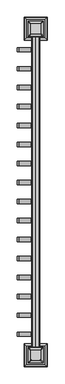
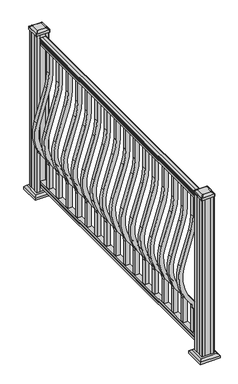
"""IFC4 building model written with IfcOpenShell, lengths in millimetres: railing geometry."""

from ifc_helpers import new_model, si_unit, point, frame, frame_2d, origin, origin_with_axes, place, context, project, spatial, polyline, circle_curve, trimmed, segment, composite_curve, outline, extrude, faceted_brep, source, transform, mapped, element, save
from ifc_brep_helpers import plane_surface, extruded_surface, advanced_brep


def railing_84bc99c3(model_context):
    return source(origin(), model_context, "Body", "SolidModel", [
        extrude(outline(composite_curve([segment(trimmed(circle_curve(frame_2d((1090.8043297, 1987.4195636)), 1.2869144), [point((1090.8043297, 1986.1326492))], [point((1090.8043297, 1988.7064779))], False, "CARTESIAN"), True, "CONTINUOUS"), segment(polyline([(1090.8043297, 1988.7064779), (1080.147013, 1988.7064779), (1079.131013, 1987.6904779), (1066.8, 1987.6904779), (1066.8, 2019.4404779), (1079.2888283, 2019.4404779), (1080.3048283, 2018.4244779), (1090.8043297, 2018.4244779)]), True, "CONTINUOUS"), segment(trimmed(circle_curve(frame_2d((1090.8043297, 2019.7113923)), 1.2869144), [point((1090.8043297, 2018.4244779))], [point((1090.8043297, 2020.9983067))], False, "CARTESIAN"), True, "CONTINUOUS"), segment(polyline([(1090.8043297, 2020.9983067), (1092.692412, 2020.9983067)]), True, "CONTINUOUS"), segment(trimmed(circle_curve(frame_2d((1098.4506383, 2014.6835534)), 8.545951), [point((1092.692412, 2020.9983067))], [point((1094.2546695, 2022.128493))], False, "CARTESIAN"), True, "CONTINUOUS"), segment(trimmed(circle_curve(frame_2d((1097.8636577, 2015.1206164)), 7.882584), [point((1094.2546695, 2022.128493))], [point((1101.4726458, 2022.128493))], False, "CARTESIAN"), True, "CONTINUOUS"), segment(trimmed(circle_curve(frame_2d((1103.7112527, 2025.6339405)), 4.1592695), [point((1101.4726458, 2022.128493))], [point((1103.9060812, 2021.4792366))], True, "CARTESIAN"), True, "CONTINUOUS"), segment(trimmed(circle_curve(frame_2d((1103.6508864, 2026.921247)), 5.4479907), [point((1103.9060812, 2021.4792366))], [point((1108.2362083, 2023.9792366))], True, "CARTESIAN"), True, "CONTINUOUS"), segment(trimmed(circle_curve(frame_2d((1108.233395, 2025.6880886)), 1.7088543), [point((1108.2362083, 2023.9792366))], [point((1109.9157972, 2025.388579))], True, "CARTESIAN"), True, "CONTINUOUS"), segment(trimmed(circle_curve(frame_2d((1111.0205318, 2024.0711885)), 1.7192895), [point((1109.9157972, 2025.388579))], [point((1111.0205318, 2025.790478))], False, "CARTESIAN"), True, "CONTINUOUS"), segment(polyline([(1111.0205318, 2025.790478), (1112.3608158, 2025.7904779)]), True, "CONTINUOUS"), segment(trimmed(circle_curve(frame_2d((1112.3608158, 2024.2370307)), 1.5534472), [point((1112.3608158, 2025.7904779))], [point((1113.914263, 2024.2370307))], False, "CARTESIAN"), True, "CONTINUOUS"), segment(polyline([(1113.914263, 2024.2370307), (1113.914263, 2003.5654779), (1113.914263, 1982.8939252)]), True, "CONTINUOUS"), segment(trimmed(circle_curve(frame_2d((1112.3608158, 1982.8939252)), 1.5534472), [point((1113.914263, 1982.8939252))], [point((1112.3608158, 1981.3404779))], False, "CARTESIAN"), True, "CONTINUOUS"), segment(polyline([(1112.3608158, 1981.3404779), (1111.0205318, 1981.3404779)]), True, "CONTINUOUS"), segment(trimmed(circle_curve(frame_2d((1111.0205318, 1983.0597674)), 1.7192895), [point((1111.0205318, 1981.3404779))], [point((1109.9157972, 1981.7423769))], False, "CARTESIAN"), True, "CONTINUOUS"), segment(trimmed(circle_curve(frame_2d((1108.233395, 1981.4428673)), 1.7088543), [point((1109.9157972, 1981.7423769))], [point((1108.2362083, 1983.1517193))], True, "CARTESIAN"), True, "CONTINUOUS"), segment(trimmed(circle_curve(frame_2d((1103.6508864, 1980.2097088)), 5.4479907), [point((1108.2362083, 1983.1517193))], [point((1103.9060812, 1985.6517193))], True, "CARTESIAN"), True, "CONTINUOUS"), segment(trimmed(circle_curve(frame_2d((1103.7112527, 1981.4970154)), 4.1592695), [point((1103.9060812, 1985.6517193))], [point((1101.4726458, 1985.0024629))], True, "CARTESIAN"), True, "CONTINUOUS"), segment(trimmed(circle_curve(frame_2d((1097.8636577, 1992.0103395)), 7.882584), [point((1101.4726458, 1985.0024629))], [point((1094.2546695, 1985.0024629))], False, "CARTESIAN"), True, "CONTINUOUS"), segment(trimmed(circle_curve(frame_2d((1098.4506383, 1992.4474025)), 8.545951), [point((1094.2546695, 1985.0024629))], [point((1092.692412, 1986.1326492))], False, "CARTESIAN"), True, "CONTINUOUS"), segment(polyline([(1092.692412, 1986.1326492), (1090.8043297, 1986.1326492)]), True, "CONTINUOUS")], self_intersect=False)), frame((0.0, -43451.7733589, 0.0), z_axis=(0.0, 1.0, 0.0), x_axis=(0.0, 0.0, 1.0)), (0.0, 0.0, 1.0), 1828.8),
        extrude(outline(polyline([(76.0541976, 1987.652991), (63.5, 1987.652991), (63.5, 2019.402991), (76.0375508, 2019.402991), (77.3858283, 2018.386991), (87.6975248, 2018.386991), (89.0458024, 2019.402991), (101.5958781, 2019.402991), (101.5958781, 1987.652991), (89.0624492, 1987.652991), (87.7141717, 1988.668991), (77.3546183, 1988.668991), (76.0541976, 1987.652991)])), frame((0.0, -43451.7733589, 0.0), z_axis=(0.0, 1.0, 0.0), x_axis=(0.0, 0.0, 1.0)), (0.0, 0.0, 1.0), 1828.8),
        extrude(outline(composite_curve([segment(trimmed(circle_curve(frame_2d((921.03216, 1643.5654779)), 347.3), [point((921.03216, 1990.8654779))], [point((819.491467, 1975.6901197))], True, "CARTESIAN"), True, "CONTINUOUS"), segment(polyline([(819.491467, 1975.6901197), (597.6384377, 1907.8628419)]), True, "CONTINUOUS"), segment(trimmed(circle_curve(frame_2d((512.0612397, 2187.7732439)), 292.7), [point((597.6384377, 1907.8628419))], [point((317.0275666, 1969.5184471))], False, "CARTESIAN"), True, "CONTINUOUS"), segment(polyline([(317.0275666, 1969.5184471), (310.8708524, 1975.0201204)]), True, "CONTINUOUS"), segment(trimmed(circle_curve(frame_2d((269.3587313, 1928.5654779)), 62.3), [point((310.8708524, 1975.0201204))], [point((269.3587313, 1990.8654779))], True, "CARTESIAN"), True, "CONTINUOUS"), segment(polyline([(269.3587313, 1990.8654779), (101.5958781, 1990.8654779), (101.5958781, 2016.2654779), (269.3587313, 2016.2654779)]), True, "CONTINUOUS"), segment(trimmed(circle_curve(frame_2d((269.3587313, 1928.5654779)), 87.7), [point((269.3587313, 2016.2654779))], [point((327.7955374, 1993.9598943))], False, "CARTESIAN"), True, "CONTINUOUS"), segment(polyline([(327.7955374, 1993.9598943), (333.9522516, 1988.4582211)]), True, "CONTINUOUS"), segment(trimmed(circle_curve(frame_2d((512.0612397, 2187.7732439)), 267.3), [point((333.9522516, 1988.4582211))], [point((590.2121964, 1932.1529827))], True, "CARTESIAN"), True, "CONTINUOUS"), segment(polyline([(590.2121964, 1932.1529827), (812.0652257, 1999.9802605)]), True, "CONTINUOUS"), segment(trimmed(circle_curve(frame_2d((921.03216, 1643.5654779)), 372.7), [point((812.0652257, 1999.9802605))], [point((921.03216, 2016.2654779))], False, "CARTESIAN"), True, "CONTINUOUS"), segment(polyline([(921.03216, 2016.2654779), (1066.8, 2016.2654779), (1066.8, 1990.8654779), (921.03216, 1990.8654779)]), True, "CONTINUOUS")], self_intersect=False)), frame((0.0, -41716.6358589, 0.0), z_axis=(0.0, 1.0, 0.0), x_axis=(0.0, 0.0, 1.0)), (0.0, 0.0, 1.0), 25.4),
        extrude(outline(composite_curve([segment(trimmed(circle_curve(frame_2d((921.03216, 1643.5654779)), 347.3), [point((921.03216, 1990.8654779))], [point((819.491467, 1975.6901197))], True, "CARTESIAN"), True, "CONTINUOUS"), segment(polyline([(819.491467, 1975.6901197), (597.6384377, 1907.8628419)]), True, "CONTINUOUS"), segment(trimmed(circle_curve(frame_2d((512.0612397, 2187.7732439)), 292.7), [point((597.6384377, 1907.8628419))], [point((317.0275666, 1969.5184471))], False, "CARTESIAN"), True, "CONTINUOUS"), segment(polyline([(317.0275666, 1969.5184471), (310.8708524, 1975.0201204)]), True, "CONTINUOUS"), segment(trimmed(circle_curve(frame_2d((269.3587313, 1928.5654779)), 62.3), [point((310.8708524, 1975.0201204))], [point((269.3587313, 1990.8654779))], True, "CARTESIAN"), True, "CONTINUOUS"), segment(polyline([(269.3587313, 1990.8654779), (101.5958781, 1990.8654779), (101.5958781, 2016.2654779), (269.3587313, 2016.2654779)]), True, "CONTINUOUS"), segment(trimmed(circle_curve(frame_2d((269.3587313, 1928.5654779)), 87.7), [point((269.3587313, 2016.2654779))], [point((327.7955374, 1993.9598943))], False, "CARTESIAN"), True, "CONTINUOUS"), segment(polyline([(327.7955374, 1993.9598943), (333.9522516, 1988.4582211)]), True, "CONTINUOUS"), segment(trimmed(circle_curve(frame_2d((512.0612397, 2187.7732439)), 267.3), [point((333.9522516, 1988.4582211))], [point((590.2121964, 1932.1529827))], True, "CARTESIAN"), True, "CONTINUOUS"), segment(polyline([(590.2121964, 1932.1529827), (812.0652257, 1999.9802605)]), True, "CONTINUOUS"), segment(trimmed(circle_curve(frame_2d((921.03216, 1643.5654779)), 372.7), [point((812.0652257, 1999.9802605))], [point((921.03216, 2016.2654779))], False, "CARTESIAN"), True, "CONTINUOUS"), segment(polyline([(921.03216, 2016.2654779), (1066.8, 2016.2654779), (1066.8, 1990.8654779), (921.03216, 1990.8654779)]), True, "CONTINUOUS")], self_intersect=False)), frame((0.0, -41827.7608589, 0.0), z_axis=(0.0, 1.0, 0.0), x_axis=(0.0, 0.0, 1.0)), (0.0, 0.0, 1.0), 25.4),
        extrude(outline(composite_curve([segment(trimmed(circle_curve(frame_2d((921.03216, 1643.5654779)), 347.3), [point((921.03216, 1990.8654779))], [point((819.491467, 1975.6901197))], True, "CARTESIAN"), True, "CONTINUOUS"), segment(polyline([(819.491467, 1975.6901197), (597.6384377, 1907.8628419)]), True, "CONTINUOUS"), segment(trimmed(circle_curve(frame_2d((512.0612397, 2187.7732439)), 292.7), [point((597.6384377, 1907.8628419))], [point((317.0275666, 1969.5184471))], False, "CARTESIAN"), True, "CONTINUOUS"), segment(polyline([(317.0275666, 1969.5184471), (310.8708524, 1975.0201204)]), True, "CONTINUOUS"), segment(trimmed(circle_curve(frame_2d((269.3587313, 1928.5654779)), 62.3), [point((310.8708524, 1975.0201204))], [point((269.3587313, 1990.8654779))], True, "CARTESIAN"), True, "CONTINUOUS"), segment(polyline([(269.3587313, 1990.8654779), (101.5958781, 1990.8654779), (101.5958781, 2016.2654779), (269.3587313, 2016.2654779)]), True, "CONTINUOUS"), segment(trimmed(circle_curve(frame_2d((269.3587313, 1928.5654779)), 87.7), [point((269.3587313, 2016.2654779))], [point((327.7955374, 1993.9598943))], False, "CARTESIAN"), True, "CONTINUOUS"), segment(polyline([(327.7955374, 1993.9598943), (333.9522516, 1988.4582211)]), True, "CONTINUOUS"), segment(trimmed(circle_curve(frame_2d((512.0612397, 2187.7732439)), 267.3), [point((333.9522516, 1988.4582211))], [point((590.2121964, 1932.1529827))], True, "CARTESIAN"), True, "CONTINUOUS"), segment(polyline([(590.2121964, 1932.1529827), (812.0652257, 1999.9802605)]), True, "CONTINUOUS"), segment(trimmed(circle_curve(frame_2d((921.03216, 1643.5654779)), 372.7), [point((812.0652257, 1999.9802605))], [point((921.03216, 2016.2654779))], False, "CARTESIAN"), True, "CONTINUOUS"), segment(polyline([(921.03216, 2016.2654779), (1066.8, 2016.2654779), (1066.8, 1990.8654779), (921.03216, 1990.8654779)]), True, "CONTINUOUS")], self_intersect=False)), frame((0.0, -41938.8858589, 0.0), z_axis=(0.0, 1.0, 0.0), x_axis=(0.0, 0.0, 1.0)), (0.0, 0.0, 1.0), 25.4),
        extrude(outline(composite_curve([segment(trimmed(circle_curve(frame_2d((921.03216, 1643.5654779)), 347.3), [point((921.03216, 1990.8654779))], [point((819.491467, 1975.6901197))], True, "CARTESIAN"), True, "CONTINUOUS"), segment(polyline([(819.491467, 1975.6901197), (597.6384377, 1907.8628419)]), True, "CONTINUOUS"), segment(trimmed(circle_curve(frame_2d((512.0612397, 2187.7732439)), 292.7), [point((597.6384377, 1907.8628419))], [point((317.0275666, 1969.5184471))], False, "CARTESIAN"), True, "CONTINUOUS"), segment(polyline([(317.0275666, 1969.5184471), (310.8708524, 1975.0201204)]), True, "CONTINUOUS"), segment(trimmed(circle_curve(frame_2d((269.3587313, 1928.5654779)), 62.3), [point((310.8708524, 1975.0201204))], [point((269.3587313, 1990.8654779))], True, "CARTESIAN"), True, "CONTINUOUS"), segment(polyline([(269.3587313, 1990.8654779), (101.5958781, 1990.8654779), (101.5958781, 2016.2654779), (269.3587313, 2016.2654779)]), True, "CONTINUOUS"), segment(trimmed(circle_curve(frame_2d((269.3587313, 1928.5654779)), 87.7), [point((269.3587313, 2016.2654779))], [point((327.7955374, 1993.9598943))], False, "CARTESIAN"), True, "CONTINUOUS"), segment(polyline([(327.7955374, 1993.9598943), (333.9522516, 1988.4582211)]), True, "CONTINUOUS"), segment(trimmed(circle_curve(frame_2d((512.0612397, 2187.7732439)), 267.3), [point((333.9522516, 1988.4582211))], [point((590.2121964, 1932.1529827))], True, "CARTESIAN"), True, "CONTINUOUS"), segment(polyline([(590.2121964, 1932.1529827), (812.0652257, 1999.9802605)]), True, "CONTINUOUS"), segment(trimmed(circle_curve(frame_2d((921.03216, 1643.5654779)), 372.7), [point((812.0652257, 1999.9802605))], [point((921.03216, 2016.2654779))], False, "CARTESIAN"), True, "CONTINUOUS"), segment(polyline([(921.03216, 2016.2654779), (1066.8, 2016.2654779), (1066.8, 1990.8654779), (921.03216, 1990.8654779)]), True, "CONTINUOUS")], self_intersect=False)), frame((0.0, -42050.0108589, 0.0), z_axis=(0.0, 1.0, 0.0), x_axis=(0.0, 0.0, 1.0)), (0.0, 0.0, 1.0), 25.4),
        extrude(outline(composite_curve([segment(trimmed(circle_curve(frame_2d((921.03216, 1643.5654779)), 347.3), [point((921.03216, 1990.8654779))], [point((819.491467, 1975.6901197))], True, "CARTESIAN"), True, "CONTINUOUS"), segment(polyline([(819.491467, 1975.6901197), (597.6384377, 1907.8628419)]), True, "CONTINUOUS"), segment(trimmed(circle_curve(frame_2d((512.0612397, 2187.7732439)), 292.7), [point((597.6384377, 1907.8628419))], [point((317.0275666, 1969.5184471))], False, "CARTESIAN"), True, "CONTINUOUS"), segment(polyline([(317.0275666, 1969.5184471), (310.8708524, 1975.0201204)]), True, "CONTINUOUS"), segment(trimmed(circle_curve(frame_2d((269.3587313, 1928.5654779)), 62.3), [point((310.8708524, 1975.0201204))], [point((269.3587313, 1990.8654779))], True, "CARTESIAN"), True, "CONTINUOUS"), segment(polyline([(269.3587313, 1990.8654779), (101.5958781, 1990.8654779), (101.5958781, 2016.2654779), (269.3587313, 2016.2654779)]), True, "CONTINUOUS"), segment(trimmed(circle_curve(frame_2d((269.3587313, 1928.5654779)), 87.7), [point((269.3587313, 2016.2654779))], [point((327.7955374, 1993.9598943))], False, "CARTESIAN"), True, "CONTINUOUS"), segment(polyline([(327.7955374, 1993.9598943), (333.9522516, 1988.4582211)]), True, "CONTINUOUS"), segment(trimmed(circle_curve(frame_2d((512.0612397, 2187.7732439)), 267.3), [point((333.9522516, 1988.4582211))], [point((590.2121964, 1932.1529827))], True, "CARTESIAN"), True, "CONTINUOUS"), segment(polyline([(590.2121964, 1932.1529827), (812.0652257, 1999.9802605)]), True, "CONTINUOUS"), segment(trimmed(circle_curve(frame_2d((921.03216, 1643.5654779)), 372.7), [point((812.0652257, 1999.9802605))], [point((921.03216, 2016.2654779))], False, "CARTESIAN"), True, "CONTINUOUS"), segment(polyline([(921.03216, 2016.2654779), (1066.8, 2016.2654779), (1066.8, 1990.8654779), (921.03216, 1990.8654779)]), True, "CONTINUOUS")], self_intersect=False)), frame((0.0, -42161.1358589, 0.0), z_axis=(0.0, 1.0, 0.0), x_axis=(0.0, 0.0, 1.0)), (0.0, 0.0, 1.0), 25.4),
        extrude(outline(composite_curve([segment(trimmed(circle_curve(frame_2d((921.03216, 1643.5654779)), 347.3), [point((921.03216, 1990.8654779))], [point((819.491467, 1975.6901197))], True, "CARTESIAN"), True, "CONTINUOUS"), segment(polyline([(819.491467, 1975.6901197), (597.6384377, 1907.8628419)]), True, "CONTINUOUS"), segment(trimmed(circle_curve(frame_2d((512.0612397, 2187.7732439)), 292.7), [point((597.6384377, 1907.8628419))], [point((317.0275666, 1969.5184471))], False, "CARTESIAN"), True, "CONTINUOUS"), segment(polyline([(317.0275666, 1969.5184471), (310.8708524, 1975.0201204)]), True, "CONTINUOUS"), segment(trimmed(circle_curve(frame_2d((269.3587313, 1928.5654779)), 62.3), [point((310.8708524, 1975.0201204))], [point((269.3587313, 1990.8654779))], True, "CARTESIAN"), True, "CONTINUOUS"), segment(polyline([(269.3587313, 1990.8654779), (101.5958781, 1990.8654779), (101.5958781, 2016.2654779), (269.3587313, 2016.2654779)]), True, "CONTINUOUS"), segment(trimmed(circle_curve(frame_2d((269.3587313, 1928.5654779)), 87.7), [point((269.3587313, 2016.2654779))], [point((327.7955374, 1993.9598943))], False, "CARTESIAN"), True, "CONTINUOUS"), segment(polyline([(327.7955374, 1993.9598943), (333.9522516, 1988.4582211)]), True, "CONTINUOUS"), segment(trimmed(circle_curve(frame_2d((512.0612397, 2187.7732439)), 267.3), [point((333.9522516, 1988.4582211))], [point((590.2121964, 1932.1529827))], True, "CARTESIAN"), True, "CONTINUOUS"), segment(polyline([(590.2121964, 1932.1529827), (812.0652257, 1999.9802605)]), True, "CONTINUOUS"), segment(trimmed(circle_curve(frame_2d((921.03216, 1643.5654779)), 372.7), [point((812.0652257, 1999.9802605))], [point((921.03216, 2016.2654779))], False, "CARTESIAN"), True, "CONTINUOUS"), segment(polyline([(921.03216, 2016.2654779), (1066.8, 2016.2654779), (1066.8, 1990.8654779), (921.03216, 1990.8654779)]), True, "CONTINUOUS")], self_intersect=False)), frame((0.0, -42272.2608589, 0.0), z_axis=(0.0, 1.0, 0.0), x_axis=(0.0, 0.0, 1.0)), (0.0, 0.0, 1.0), 25.4),
        extrude(outline(composite_curve([segment(trimmed(circle_curve(frame_2d((921.03216, 1643.5654779)), 347.3), [point((921.03216, 1990.8654779))], [point((819.491467, 1975.6901197))], True, "CARTESIAN"), True, "CONTINUOUS"), segment(polyline([(819.491467, 1975.6901197), (597.6384377, 1907.8628419)]), True, "CONTINUOUS"), segment(trimmed(circle_curve(frame_2d((512.0612397, 2187.7732439)), 292.7), [point((597.6384377, 1907.8628419))], [point((317.0275666, 1969.5184471))], False, "CARTESIAN"), True, "CONTINUOUS"), segment(polyline([(317.0275666, 1969.5184471), (310.8708524, 1975.0201204)]), True, "CONTINUOUS"), segment(trimmed(circle_curve(frame_2d((269.3587313, 1928.5654779)), 62.3), [point((310.8708524, 1975.0201204))], [point((269.3587313, 1990.8654779))], True, "CARTESIAN"), True, "CONTINUOUS"), segment(polyline([(269.3587313, 1990.8654779), (101.5958781, 1990.8654779), (101.5958781, 2016.2654779), (269.3587313, 2016.2654779)]), True, "CONTINUOUS"), segment(trimmed(circle_curve(frame_2d((269.3587313, 1928.5654779)), 87.7), [point((269.3587313, 2016.2654779))], [point((327.7955374, 1993.9598943))], False, "CARTESIAN"), True, "CONTINUOUS"), segment(polyline([(327.7955374, 1993.9598943), (333.9522516, 1988.4582211)]), True, "CONTINUOUS"), segment(trimmed(circle_curve(frame_2d((512.0612397, 2187.7732439)), 267.3), [point((333.9522516, 1988.4582211))], [point((590.2121964, 1932.1529827))], True, "CARTESIAN"), True, "CONTINUOUS"), segment(polyline([(590.2121964, 1932.1529827), (812.0652257, 1999.9802605)]), True, "CONTINUOUS"), segment(trimmed(circle_curve(frame_2d((921.03216, 1643.5654779)), 372.7), [point((812.0652257, 1999.9802605))], [point((921.03216, 2016.2654779))], False, "CARTESIAN"), True, "CONTINUOUS"), segment(polyline([(921.03216, 2016.2654779), (1066.8, 2016.2654779), (1066.8, 1990.8654779), (921.03216, 1990.8654779)]), True, "CONTINUOUS")], self_intersect=False)), frame((0.0, -42383.3858589, 0.0), z_axis=(0.0, 1.0, 0.0), x_axis=(0.0, 0.0, 1.0)), (0.0, 0.0, 1.0), 25.4),
        extrude(outline(composite_curve([segment(trimmed(circle_curve(frame_2d((921.03216, 1643.5654779)), 347.3), [point((921.03216, 1990.8654779))], [point((819.491467, 1975.6901197))], True, "CARTESIAN"), True, "CONTINUOUS"), segment(polyline([(819.491467, 1975.6901197), (597.6384377, 1907.8628419)]), True, "CONTINUOUS"), segment(trimmed(circle_curve(frame_2d((512.0612397, 2187.7732439)), 292.7), [point((597.6384377, 1907.8628419))], [point((317.0275666, 1969.5184471))], False, "CARTESIAN"), True, "CONTINUOUS"), segment(polyline([(317.0275666, 1969.5184471), (310.8708524, 1975.0201204)]), True, "CONTINUOUS"), segment(trimmed(circle_curve(frame_2d((269.3587313, 1928.5654779)), 62.3), [point((310.8708524, 1975.0201204))], [point((269.3587313, 1990.8654779))], True, "CARTESIAN"), True, "CONTINUOUS"), segment(polyline([(269.3587313, 1990.8654779), (101.5958781, 1990.8654779), (101.5958781, 2016.2654779), (269.3587313, 2016.2654779)]), True, "CONTINUOUS"), segment(trimmed(circle_curve(frame_2d((269.3587313, 1928.5654779)), 87.7), [point((269.3587313, 2016.2654779))], [point((327.7955374, 1993.9598943))], False, "CARTESIAN"), True, "CONTINUOUS"), segment(polyline([(327.7955374, 1993.9598943), (333.9522516, 1988.4582211)]), True, "CONTINUOUS"), segment(trimmed(circle_curve(frame_2d((512.0612397, 2187.7732439)), 267.3), [point((333.9522516, 1988.4582211))], [point((590.2121964, 1932.1529827))], True, "CARTESIAN"), True, "CONTINUOUS"), segment(polyline([(590.2121964, 1932.1529827), (812.0652257, 1999.9802605)]), True, "CONTINUOUS"), segment(trimmed(circle_curve(frame_2d((921.03216, 1643.5654779)), 372.7), [point((812.0652257, 1999.9802605))], [point((921.03216, 2016.2654779))], False, "CARTESIAN"), True, "CONTINUOUS"), segment(polyline([(921.03216, 2016.2654779), (1066.8, 2016.2654779), (1066.8, 1990.8654779), (921.03216, 1990.8654779)]), True, "CONTINUOUS")], self_intersect=False)), frame((0.0, -42494.5108589, 0.0), z_axis=(0.0, 1.0, 0.0), x_axis=(0.0, 0.0, 1.0)), (0.0, 0.0, 1.0), 25.4),
        extrude(outline(composite_curve([segment(trimmed(circle_curve(frame_2d((921.03216, 1643.5654779)), 347.3), [point((921.03216, 1990.8654779))], [point((819.491467, 1975.6901197))], True, "CARTESIAN"), True, "CONTINUOUS"), segment(polyline([(819.491467, 1975.6901197), (597.6384377, 1907.8628419)]), True, "CONTINUOUS"), segment(trimmed(circle_curve(frame_2d((512.0612397, 2187.7732439)), 292.7), [point((597.6384377, 1907.8628419))], [point((317.0275666, 1969.5184471))], False, "CARTESIAN"), True, "CONTINUOUS"), segment(polyline([(317.0275666, 1969.5184471), (310.8708524, 1975.0201204)]), True, "CONTINUOUS"), segment(trimmed(circle_curve(frame_2d((269.3587313, 1928.5654779)), 62.3), [point((310.8708524, 1975.0201204))], [point((269.3587313, 1990.8654779))], True, "CARTESIAN"), True, "CONTINUOUS"), segment(polyline([(269.3587313, 1990.8654779), (101.5958781, 1990.8654779), (101.5958781, 2016.2654779), (269.3587313, 2016.2654779)]), True, "CONTINUOUS"), segment(trimmed(circle_curve(frame_2d((269.3587313, 1928.5654779)), 87.7), [point((269.3587313, 2016.2654779))], [point((327.7955374, 1993.9598943))], False, "CARTESIAN"), True, "CONTINUOUS"), segment(polyline([(327.7955374, 1993.9598943), (333.9522516, 1988.4582211)]), True, "CONTINUOUS"), segment(trimmed(circle_curve(frame_2d((512.0612397, 2187.7732439)), 267.3), [point((333.9522516, 1988.4582211))], [point((590.2121964, 1932.1529827))], True, "CARTESIAN"), True, "CONTINUOUS"), segment(polyline([(590.2121964, 1932.1529827), (812.0652257, 1999.9802605)]), True, "CONTINUOUS"), segment(trimmed(circle_curve(frame_2d((921.03216, 1643.5654779)), 372.7), [point((812.0652257, 1999.9802605))], [point((921.03216, 2016.2654779))], False, "CARTESIAN"), True, "CONTINUOUS"), segment(polyline([(921.03216, 2016.2654779), (1066.8, 2016.2654779), (1066.8, 1990.8654779), (921.03216, 1990.8654779)]), True, "CONTINUOUS")], self_intersect=False)), frame((0.0, -42605.6358589, 0.0), z_axis=(0.0, 1.0, 0.0), x_axis=(0.0, 0.0, 1.0)), (0.0, 0.0, 1.0), 25.4),
        extrude(outline(composite_curve([segment(trimmed(circle_curve(frame_2d((921.03216, 1643.5654779)), 347.3), [point((921.03216, 1990.8654779))], [point((819.491467, 1975.6901197))], True, "CARTESIAN"), True, "CONTINUOUS"), segment(polyline([(819.491467, 1975.6901197), (597.6384377, 1907.8628419)]), True, "CONTINUOUS"), segment(trimmed(circle_curve(frame_2d((512.0612397, 2187.7732439)), 292.7), [point((597.6384377, 1907.8628419))], [point((317.0275666, 1969.5184471))], False, "CARTESIAN"), True, "CONTINUOUS"), segment(polyline([(317.0275666, 1969.5184471), (310.8708524, 1975.0201204)]), True, "CONTINUOUS"), segment(trimmed(circle_curve(frame_2d((269.3587313, 1928.5654779)), 62.3), [point((310.8708524, 1975.0201204))], [point((269.3587313, 1990.8654779))], True, "CARTESIAN"), True, "CONTINUOUS"), segment(polyline([(269.3587313, 1990.8654779), (101.5958781, 1990.8654779), (101.5958781, 2016.2654779), (269.3587313, 2016.2654779)]), True, "CONTINUOUS"), segment(trimmed(circle_curve(frame_2d((269.3587313, 1928.5654779)), 87.7), [point((269.3587313, 2016.2654779))], [point((327.7955374, 1993.9598943))], False, "CARTESIAN"), True, "CONTINUOUS"), segment(polyline([(327.7955374, 1993.9598943), (333.9522516, 1988.4582211)]), True, "CONTINUOUS"), segment(trimmed(circle_curve(frame_2d((512.0612397, 2187.7732439)), 267.3), [point((333.9522516, 1988.4582211))], [point((590.2121964, 1932.1529827))], True, "CARTESIAN"), True, "CONTINUOUS"), segment(polyline([(590.2121964, 1932.1529827), (812.0652257, 1999.9802605)]), True, "CONTINUOUS"), segment(trimmed(circle_curve(frame_2d((921.03216, 1643.5654779)), 372.7), [point((812.0652257, 1999.9802605))], [point((921.03216, 2016.2654779))], False, "CARTESIAN"), True, "CONTINUOUS"), segment(polyline([(921.03216, 2016.2654779), (1066.8, 2016.2654779), (1066.8, 1990.8654779), (921.03216, 1990.8654779)]), True, "CONTINUOUS")], self_intersect=False)), frame((0.0, -42716.7608589, 0.0), z_axis=(0.0, 1.0, 0.0), x_axis=(0.0, 0.0, 1.0)), (0.0, 0.0, 1.0), 25.4),
        extrude(outline(composite_curve([segment(trimmed(circle_curve(frame_2d((921.03216, 1643.5654779)), 347.3), [point((921.03216, 1990.8654779))], [point((819.491467, 1975.6901197))], True, "CARTESIAN"), True, "CONTINUOUS"), segment(polyline([(819.491467, 1975.6901197), (597.6384377, 1907.8628419)]), True, "CONTINUOUS"), segment(trimmed(circle_curve(frame_2d((512.0612397, 2187.7732439)), 292.7), [point((597.6384377, 1907.8628419))], [point((317.0275666, 1969.5184471))], False, "CARTESIAN"), True, "CONTINUOUS"), segment(polyline([(317.0275666, 1969.5184471), (310.8708524, 1975.0201204)]), True, "CONTINUOUS"), segment(trimmed(circle_curve(frame_2d((269.3587313, 1928.5654779)), 62.3), [point((310.8708524, 1975.0201204))], [point((269.3587313, 1990.8654779))], True, "CARTESIAN"), True, "CONTINUOUS"), segment(polyline([(269.3587313, 1990.8654779), (101.5958781, 1990.8654779), (101.5958781, 2016.2654779), (269.3587313, 2016.2654779)]), True, "CONTINUOUS"), segment(trimmed(circle_curve(frame_2d((269.3587313, 1928.5654779)), 87.7), [point((269.3587313, 2016.2654779))], [point((327.7955374, 1993.9598943))], False, "CARTESIAN"), True, "CONTINUOUS"), segment(polyline([(327.7955374, 1993.9598943), (333.9522516, 1988.4582211)]), True, "CONTINUOUS"), segment(trimmed(circle_curve(frame_2d((512.0612397, 2187.7732439)), 267.3), [point((333.9522516, 1988.4582211))], [point((590.2121964, 1932.1529827))], True, "CARTESIAN"), True, "CONTINUOUS"), segment(polyline([(590.2121964, 1932.1529827), (812.0652257, 1999.9802605)]), True, "CONTINUOUS"), segment(trimmed(circle_curve(frame_2d((921.03216, 1643.5654779)), 372.7), [point((812.0652257, 1999.9802605))], [point((921.03216, 2016.2654779))], False, "CARTESIAN"), True, "CONTINUOUS"), segment(polyline([(921.03216, 2016.2654779), (1066.8, 2016.2654779), (1066.8, 1990.8654779), (921.03216, 1990.8654779)]), True, "CONTINUOUS")], self_intersect=False)), frame((0.0, -42827.8858589, 0.0), z_axis=(0.0, 1.0, 0.0), x_axis=(0.0, 0.0, 1.0)), (0.0, 0.0, 1.0), 25.4),
        extrude(outline(composite_curve([segment(trimmed(circle_curve(frame_2d((921.03216, 1643.5654779)), 347.3), [point((921.03216, 1990.8654779))], [point((819.491467, 1975.6901197))], True, "CARTESIAN"), True, "CONTINUOUS"), segment(polyline([(819.491467, 1975.6901197), (597.6384377, 1907.8628419)]), True, "CONTINUOUS"), segment(trimmed(circle_curve(frame_2d((512.0612397, 2187.7732439)), 292.7), [point((597.6384377, 1907.8628419))], [point((317.0275666, 1969.5184471))], False, "CARTESIAN"), True, "CONTINUOUS"), segment(polyline([(317.0275666, 1969.5184471), (310.8708524, 1975.0201204)]), True, "CONTINUOUS"), segment(trimmed(circle_curve(frame_2d((269.3587313, 1928.5654779)), 62.3), [point((310.8708524, 1975.0201204))], [point((269.3587313, 1990.8654779))], True, "CARTESIAN"), True, "CONTINUOUS"), segment(polyline([(269.3587313, 1990.8654779), (101.5958781, 1990.8654779), (101.5958781, 2016.2654779), (269.3587313, 2016.2654779)]), True, "CONTINUOUS"), segment(trimmed(circle_curve(frame_2d((269.3587313, 1928.5654779)), 87.7), [point((269.3587313, 2016.2654779))], [point((327.7955374, 1993.9598943))], False, "CARTESIAN"), True, "CONTINUOUS"), segment(polyline([(327.7955374, 1993.9598943), (333.9522516, 1988.4582211)]), True, "CONTINUOUS"), segment(trimmed(circle_curve(frame_2d((512.0612397, 2187.7732439)), 267.3), [point((333.9522516, 1988.4582211))], [point((590.2121964, 1932.1529827))], True, "CARTESIAN"), True, "CONTINUOUS"), segment(polyline([(590.2121964, 1932.1529827), (812.0652257, 1999.9802605)]), True, "CONTINUOUS"), segment(trimmed(circle_curve(frame_2d((921.03216, 1643.5654779)), 372.7), [point((812.0652257, 1999.9802605))], [point((921.03216, 2016.2654779))], False, "CARTESIAN"), True, "CONTINUOUS"), segment(polyline([(921.03216, 2016.2654779), (1066.8, 2016.2654779), (1066.8, 1990.8654779), (921.03216, 1990.8654779)]), True, "CONTINUOUS")], self_intersect=False)), frame((0.0, -42939.0108589, 0.0), z_axis=(0.0, 1.0, 0.0), x_axis=(0.0, 0.0, 1.0)), (0.0, 0.0, 1.0), 25.4),
        extrude(outline(composite_curve([segment(trimmed(circle_curve(frame_2d((921.03216, 1643.5654779)), 347.3), [point((921.03216, 1990.8654779))], [point((819.491467, 1975.6901197))], True, "CARTESIAN"), True, "CONTINUOUS"), segment(polyline([(819.491467, 1975.6901197), (597.6384377, 1907.8628419)]), True, "CONTINUOUS"), segment(trimmed(circle_curve(frame_2d((512.0612397, 2187.7732439)), 292.7), [point((597.6384377, 1907.8628419))], [point((317.0275666, 1969.5184471))], False, "CARTESIAN"), True, "CONTINUOUS"), segment(polyline([(317.0275666, 1969.5184471), (310.8708524, 1975.0201204)]), True, "CONTINUOUS"), segment(trimmed(circle_curve(frame_2d((269.3587313, 1928.5654779)), 62.3), [point((310.8708524, 1975.0201204))], [point((269.3587313, 1990.8654779))], True, "CARTESIAN"), True, "CONTINUOUS"), segment(polyline([(269.3587313, 1990.8654779), (101.5958781, 1990.8654779), (101.5958781, 2016.2654779), (269.3587313, 2016.2654779)]), True, "CONTINUOUS"), segment(trimmed(circle_curve(frame_2d((269.3587313, 1928.5654779)), 87.7), [point((269.3587313, 2016.2654779))], [point((327.7955374, 1993.9598943))], False, "CARTESIAN"), True, "CONTINUOUS"), segment(polyline([(327.7955374, 1993.9598943), (333.9522516, 1988.4582211)]), True, "CONTINUOUS"), segment(trimmed(circle_curve(frame_2d((512.0612397, 2187.7732439)), 267.3), [point((333.9522516, 1988.4582211))], [point((590.2121964, 1932.1529827))], True, "CARTESIAN"), True, "CONTINUOUS"), segment(polyline([(590.2121964, 1932.1529827), (812.0652257, 1999.9802605)]), True, "CONTINUOUS"), segment(trimmed(circle_curve(frame_2d((921.03216, 1643.5654779)), 372.7), [point((812.0652257, 1999.9802605))], [point((921.03216, 2016.2654779))], False, "CARTESIAN"), True, "CONTINUOUS"), segment(polyline([(921.03216, 2016.2654779), (1066.8, 2016.2654779), (1066.8, 1990.8654779), (921.03216, 1990.8654779)]), True, "CONTINUOUS")], self_intersect=False)), frame((0.0, -43050.1358589, 0.0), z_axis=(0.0, 1.0, 0.0), x_axis=(0.0, 0.0, 1.0)), (0.0, 0.0, 1.0), 25.4),
        extrude(outline(composite_curve([segment(trimmed(circle_curve(frame_2d((921.03216, 1643.5654779)), 347.3), [point((921.03216, 1990.8654779))], [point((819.491467, 1975.6901197))], True, "CARTESIAN"), True, "CONTINUOUS"), segment(polyline([(819.491467, 1975.6901197), (597.6384377, 1907.8628419)]), True, "CONTINUOUS"), segment(trimmed(circle_curve(frame_2d((512.0612397, 2187.7732439)), 292.7), [point((597.6384377, 1907.8628419))], [point((317.0275666, 1969.5184471))], False, "CARTESIAN"), True, "CONTINUOUS"), segment(polyline([(317.0275666, 1969.5184471), (310.8708524, 1975.0201204)]), True, "CONTINUOUS"), segment(trimmed(circle_curve(frame_2d((269.3587313, 1928.5654779)), 62.3), [point((310.8708524, 1975.0201204))], [point((269.3587313, 1990.8654779))], True, "CARTESIAN"), True, "CONTINUOUS"), segment(polyline([(269.3587313, 1990.8654779), (101.5958781, 1990.8654779), (101.5958781, 2016.2654779), (269.3587313, 2016.2654779)]), True, "CONTINUOUS"), segment(trimmed(circle_curve(frame_2d((269.3587313, 1928.5654779)), 87.7), [point((269.3587313, 2016.2654779))], [point((327.7955374, 1993.9598943))], False, "CARTESIAN"), True, "CONTINUOUS"), segment(polyline([(327.7955374, 1993.9598943), (333.9522516, 1988.4582211)]), True, "CONTINUOUS"), segment(trimmed(circle_curve(frame_2d((512.0612397, 2187.7732439)), 267.3), [point((333.9522516, 1988.4582211))], [point((590.2121964, 1932.1529827))], True, "CARTESIAN"), True, "CONTINUOUS"), segment(polyline([(590.2121964, 1932.1529827), (812.0652257, 1999.9802605)]), True, "CONTINUOUS"), segment(trimmed(circle_curve(frame_2d((921.03216, 1643.5654779)), 372.7), [point((812.0652257, 1999.9802605))], [point((921.03216, 2016.2654779))], False, "CARTESIAN"), True, "CONTINUOUS"), segment(polyline([(921.03216, 2016.2654779), (1066.8, 2016.2654779), (1066.8, 1990.8654779), (921.03216, 1990.8654779)]), True, "CONTINUOUS")], self_intersect=False)), frame((0.0, -43161.2608589, 0.0), z_axis=(0.0, 1.0, 0.0), x_axis=(0.0, 0.0, 1.0)), (0.0, 0.0, 1.0), 25.4),
        extrude(outline(composite_curve([segment(trimmed(circle_curve(frame_2d((921.03216, 1643.5654779)), 347.3), [point((921.03216, 1990.8654779))], [point((819.491467, 1975.6901197))], True, "CARTESIAN"), True, "CONTINUOUS"), segment(polyline([(819.491467, 1975.6901197), (597.6384377, 1907.8628419)]), True, "CONTINUOUS"), segment(trimmed(circle_curve(frame_2d((512.0612397, 2187.7732439)), 292.7), [point((597.6384377, 1907.8628419))], [point((317.0275666, 1969.5184471))], False, "CARTESIAN"), True, "CONTINUOUS"), segment(polyline([(317.0275666, 1969.5184471), (310.8708524, 1975.0201204)]), True, "CONTINUOUS"), segment(trimmed(circle_curve(frame_2d((269.3587313, 1928.5654779)), 62.3), [point((310.8708524, 1975.0201204))], [point((269.3587313, 1990.8654779))], True, "CARTESIAN"), True, "CONTINUOUS"), segment(polyline([(269.3587313, 1990.8654779), (101.5958781, 1990.8654779), (101.5958781, 2016.2654779), (269.3587313, 2016.2654779)]), True, "CONTINUOUS"), segment(trimmed(circle_curve(frame_2d((269.3587313, 1928.5654779)), 87.7), [point((269.3587313, 2016.2654779))], [point((327.7955374, 1993.9598943))], False, "CARTESIAN"), True, "CONTINUOUS"), segment(polyline([(327.7955374, 1993.9598943), (333.9522516, 1988.4582211)]), True, "CONTINUOUS"), segment(trimmed(circle_curve(frame_2d((512.0612397, 2187.7732439)), 267.3), [point((333.9522516, 1988.4582211))], [point((590.2121964, 1932.1529827))], True, "CARTESIAN"), True, "CONTINUOUS"), segment(polyline([(590.2121964, 1932.1529827), (812.0652257, 1999.9802605)]), True, "CONTINUOUS"), segment(trimmed(circle_curve(frame_2d((921.03216, 1643.5654779)), 372.7), [point((812.0652257, 1999.9802605))], [point((921.03216, 2016.2654779))], False, "CARTESIAN"), True, "CONTINUOUS"), segment(polyline([(921.03216, 2016.2654779), (1066.8, 2016.2654779), (1066.8, 1990.8654779), (921.03216, 1990.8654779)]), True, "CONTINUOUS")], self_intersect=False)), frame((0.0, -43272.3858589, 0.0), z_axis=(0.0, 1.0, 0.0), x_axis=(0.0, 0.0, 1.0)), (0.0, 0.0, 1.0), 25.4),
        extrude(outline(composite_curve([segment(trimmed(circle_curve(frame_2d((921.03216, 1643.5654779)), 347.3), [point((921.03216, 1990.8654779))], [point((819.491467, 1975.6901197))], True, "CARTESIAN"), True, "CONTINUOUS"), segment(polyline([(819.491467, 1975.6901197), (597.6384377, 1907.8628419)]), True, "CONTINUOUS"), segment(trimmed(circle_curve(frame_2d((512.0612397, 2187.7732439)), 292.7), [point((597.6384377, 1907.8628419))], [point((317.0275666, 1969.5184471))], False, "CARTESIAN"), True, "CONTINUOUS"), segment(polyline([(317.0275666, 1969.5184471), (310.8708524, 1975.0201204)]), True, "CONTINUOUS"), segment(trimmed(circle_curve(frame_2d((269.3587313, 1928.5654779)), 62.3), [point((310.8708524, 1975.0201204))], [point((269.3587313, 1990.8654779))], True, "CARTESIAN"), True, "CONTINUOUS"), segment(polyline([(269.3587313, 1990.8654779), (101.5958781, 1990.8654779), (101.5958781, 2016.2654779), (269.3587313, 2016.2654779)]), True, "CONTINUOUS"), segment(trimmed(circle_curve(frame_2d((269.3587313, 1928.5654779)), 87.7), [point((269.3587313, 2016.2654779))], [point((327.7955374, 1993.9598943))], False, "CARTESIAN"), True, "CONTINUOUS"), segment(polyline([(327.7955374, 1993.9598943), (333.9522516, 1988.4582211)]), True, "CONTINUOUS"), segment(trimmed(circle_curve(frame_2d((512.0612397, 2187.7732439)), 267.3), [point((333.9522516, 1988.4582211))], [point((590.2121964, 1932.1529827))], True, "CARTESIAN"), True, "CONTINUOUS"), segment(polyline([(590.2121964, 1932.1529827), (812.0652257, 1999.9802605)]), True, "CONTINUOUS"), segment(trimmed(circle_curve(frame_2d((921.03216, 1643.5654779)), 372.7), [point((812.0652257, 1999.9802605))], [point((921.03216, 2016.2654779))], False, "CARTESIAN"), True, "CONTINUOUS"), segment(polyline([(921.03216, 2016.2654779), (1066.8, 2016.2654779), (1066.8, 1990.8654779), (921.03216, 1990.8654779)]), True, "CONTINUOUS")], self_intersect=False)), frame((0.0, -43383.5108589, 0.0), z_axis=(0.0, 1.0, 0.0), x_axis=(0.0, 0.0, 1.0)), (0.0, 0.0, 1.0), 25.4),
        faceted_brep([(1950.9795404, -41634.2842964, 28.575), (2056.1514154, -41634.2842964, 28.575), (2056.1514154, -41529.1124214, 28.575), (1950.9795404, -41529.1124214, 28.575), (1936.9400873, -41648.3237496, 15.24), (1936.9400873, -41515.0729683, 15.24), (2070.1908686, -41515.0729683, 15.24), (2070.1908686, -41648.3237496, 15.24)], [[[0, 1, 2, 3]], [[4, 5, 6, 7]], [[4, 7, 1, 0]], [[7, 6, 2, 1]], [[6, 5, 3, 2]], [[5, 4, 0, 3]]]),
        extrude(outline(polyline([(1936.9400873, -41648.3237496), (1936.9400873, -41515.0729683), (2070.1908686, -41515.0729683), (2070.1908686, -41648.3237496), (1936.9400873, -41648.3237496)])), origin_with_axes(), (0.0, 0.0, 1.0), 15.24),
        advanced_brep(
        [(2029.3623529, -41610.6702339, 1165.225), (2032.5373529, -41607.4952339, 1165.225), (2032.5373529, -41555.9014839, 1165.225), (2029.3623529, -41552.7264839, 1165.225), (1977.7686029, -41552.7264839, 1165.225), (1974.5936029, -41555.9014839, 1165.225), (1974.5936029, -41607.4952339, 1165.225), (1977.7686029, -41610.6702339, 1165.225), (2045.6342279, -41626.9421089, 1153.922), (1961.4967279, -41626.9421089, 1153.922), (1958.3217279, -41623.7671089, 1153.922), (1958.3217279, -41539.6296089, 1153.922), (1961.4967279, -41536.4546089, 1153.922), (2045.6342279, -41536.4546089, 1153.922), (2048.8092279, -41539.6296089, 1153.922), (2048.8092279, -41623.7671089, 1153.922)],
        [
            (0, 1, circle_curve(frame((2029.3623529, -41607.4952339, 1165.225), z_axis=(0.0, 0.0, 1.0), x_axis=(0.0, 1.0, 0.0)), 3.175)),
            (1, 2),
            (2, 3, circle_curve(frame((2029.3623529, -41555.9014839, 1165.225), z_axis=(0.0, 0.0, 1.0), x_axis=(0.0, 1.0, 0.0)), 3.175)),
            (3, 4),
            (4, 5, circle_curve(frame((1977.7686029, -41555.9014839, 1165.225), z_axis=(0.0, 0.0, 1.0), x_axis=(0.0, 1.0, 0.0)), 3.175)),
            (5, 6),
            (6, 7, circle_curve(frame((1977.7686029, -41607.4952339, 1165.225), z_axis=(0.0, 0.0, 1.0), x_axis=(0.0, 1.0, 0.0)), 3.175)),
            (7, 0),
            (8, 9),
            (9, 10, circle_curve(frame((1961.4967279, -41623.7671089, 1153.922), z_axis=(0.0, 0.0, -1.0), x_axis=(0.0, 1.0, 0.0)), 3.175)),
            (10, 11),
            (11, 12, circle_curve(frame((1961.4967279, -41539.6296089, 1153.922), z_axis=(0.0, 0.0, -1.0), x_axis=(0.0, 1.0, 0.0)), 3.175)),
            (12, 13),
            (13, 14, circle_curve(frame((2045.6342279, -41539.6296089, 1153.922), z_axis=(0.0, 0.0, -1.0), x_axis=(0.0, 1.0, 0.0)), 3.175)),
            (14, 15),
            (15, 8, circle_curve(frame((2045.6342279, -41623.7671089, 1153.922), z_axis=(0.0, 0.0, -1.0), x_axis=(0.0, 1.0, 0.0)), 3.175)),
            (15, 1),
            (0, 8),
            (14, 2),
            (13, 3),
            (12, 4),
            (11, 5),
            (10, 6),
            (9, 7),
        ],
        [
            plane_surface(frame((2003.5654779, -41581.6983589, 1165.225), z_axis=(0.0, 0.0, 1.0), x_axis=(1.0, 0.0, 0.0))),
            plane_surface(frame((2003.5654779, -41581.6983589, 1153.922), z_axis=(0.0, 0.0, -1.0), x_axis=(1.0, 0.0, 0.0))),
            extruded_surface(trimmed(circle_curve(frame((2045.6342279, -41623.7671089, 1153.922), z_axis=(0.0, 0.0, 1.0), x_axis=(0.0, 1.0, 0.0)), 3.175), [point((2045.6342279, -41626.9421089, 1153.922))], [point((2048.8092279, -41623.7671089, 1153.922))], True, "CARTESIAN"), (-16.271875000000136, 16.271874999998545, 11.302999999999884), 25.637972638865275),
            plane_surface(frame((2048.8092279, -41581.6983589, 1153.922), z_axis=(0.5705009161540777, 0.0, 0.8212969649690409), x_axis=(0.0, 1.0, 0.0))),
            extruded_surface(trimmed(circle_curve(frame((2045.6342279, -41539.6296089, 1153.922), z_axis=(0.0, 0.0, 1.0), x_axis=(0.0, 1.0, 0.0)), 3.175), [point((2048.8092279, -41539.6296089, 1153.922))], [point((2045.6342279, -41536.4546089, 1153.922))], True, "CARTESIAN"), (-16.271875000000136, -16.271874999998545, 11.302999999999884), 25.637972638865275),
            plane_surface(frame((2003.5654779, -41536.4546089, 1153.922), z_axis=(0.0, 0.5705009161540291, 0.8212969649690747), x_axis=(-1.0, 0.0, 0.0))),
            extruded_surface(trimmed(circle_curve(frame((1961.4967279, -41539.6296089, 1153.922), z_axis=(0.0, 0.0, 1.0), x_axis=(0.0, 1.0, 0.0)), 3.175), [point((1961.4967279, -41536.4546089, 1153.922))], [point((1958.3217279, -41539.6296089, 1153.922))], True, "CARTESIAN"), (16.27187499999991, -16.271874999998545, 11.302999999999884), 25.63797263886513),
            plane_surface(frame((1958.3217279, -41581.6983589, 1153.922), z_axis=(-0.5705009161540143, 0.0, 0.821296964969085), x_axis=(0.0, -1.0, 0.0))),
            extruded_surface(trimmed(circle_curve(frame((1961.4967279, -41623.7671089, 1153.922), z_axis=(0.0, 0.0, 1.0), x_axis=(0.0, 1.0, 0.0)), 3.175), [point((1958.3217279, -41623.7671089, 1153.922))], [point((1961.4967279, -41626.9421089, 1153.922))], True, "CARTESIAN"), (16.27187499999991, 16.271874999998545, 11.302999999999884), 25.63797263886513),
            plane_surface(frame((2003.5654779, -41626.9421089, 1153.922), z_axis=(0.0, -0.570500916154034, 0.8212969649690713), x_axis=(1.0, 0.0, 0.0))),
        ],
        [
            (0, [[1, 2, 3, 4, 5, 6, 7, 8]]),
            (1, [[9, 10, 11, 12, 13, 14, 15, 16]]),
            (2, [[-16, 17, -1, 18]]),
            (3, [[-15, 19, -2, -17]]),
            (4, [[-14, 20, -3, -19]]),
            (5, [[-13, 21, -4, -20]]),
            (6, [[-12, 22, -5, -21]]),
            (7, [[-11, 23, -6, -22]]),
            (8, [[-10, 24, -7, -23]]),
            (9, [[-9, -18, -8, -24]]),
        ],
    ),
        extrude(outline(composite_curve([segment(polyline([(2045.6342279, -41626.9421089), (1961.4967279, -41626.9421089)]), True, "CONTINUOUS"), segment(trimmed(circle_curve(frame_2d((1961.4967279, -41623.7671089)), 3.175), [point((1961.4967279, -41626.9421089))], [point((1958.3217279, -41623.7671089))], False, "CARTESIAN"), True, "CONTINUOUS"), segment(polyline([(1958.3217279, -41623.7671089), (1958.3217279, -41539.6296089)]), True, "CONTINUOUS"), segment(trimmed(circle_curve(frame_2d((1961.4967279, -41539.6296089)), 3.175), [point((1958.3217279, -41539.6296089))], [point((1961.4967279, -41536.4546089))], False, "CARTESIAN"), True, "CONTINUOUS"), segment(polyline([(1961.4967279, -41536.4546089), (2045.6342279, -41536.4546089)]), True, "CONTINUOUS"), segment(trimmed(circle_curve(frame_2d((2045.6342279, -41539.6296089)), 3.175), [point((2045.6342279, -41536.4546089))], [point((2048.8092279, -41539.6296089))], False, "CARTESIAN"), True, "CONTINUOUS"), segment(polyline([(2048.8092279, -41539.6296089), (2048.8092279, -41623.7671089)]), True, "CONTINUOUS"), segment(trimmed(circle_curve(frame_2d((2045.6342279, -41623.7671089)), 3.175), [point((2048.8092279, -41623.7671089))], [point((2045.6342279, -41626.9421089))], False, "CARTESIAN"), True, "CONTINUOUS")], self_intersect=False)), frame((0.0, 0.0, 1136.65), z_axis=(0.0, 0.0, 1.0), x_axis=(1.0, 0.0, 0.0)), (0.0, 0.0, 1.0), 17.272),
        extrude(outline(polyline([(2043.2529779, -41622.9733589), (2023.6314779, -41622.9733589), (2022.8694779, -41621.3858589), (1984.2614779, -41621.3858589), (1983.4994779, -41622.9733589), (1963.8779779, -41622.9733589), (1962.2904779, -41621.3858589), (1962.2904779, -41601.7643589), (1963.8779779, -41601.0023589), (1963.8779779, -41562.3943589), (1962.2904779, -41561.6323589), (1962.2904779, -41542.0108589), (1963.8779779, -41540.4233589), (1983.4994779, -41540.4233589), (1984.2614779, -41542.0108589), (2022.8694779, -41542.0108589), (2023.6314779, -41540.4233589), (2043.2529779, -41540.4233589), (2044.8404779, -41542.0108589), (2044.8404779, -41561.6323589), (2043.2529779, -41562.3943589), (2043.2529779, -41601.0023589), (2044.8404779, -41601.7643589), (2044.8404779, -41621.3858589), (2043.2529779, -41622.9733589)])), origin_with_axes(), (0.0, 0.0, 1.0), 1136.65),
        faceted_brep([(1950.9795404, -43545.6342964, 28.575), (2056.1514154, -43545.6342964, 28.575), (2056.1514154, -43440.4624214, 28.575), (1950.9795404, -43440.4624214, 28.575), (1936.9400873, -43559.6737496, 15.24), (1936.9400873, -43426.4229683, 15.24), (2070.1908686, -43426.4229683, 15.24), (2070.1908686, -43559.6737496, 15.24)], [[[0, 1, 2, 3]], [[4, 5, 6, 7]], [[4, 7, 1, 0]], [[7, 6, 2, 1]], [[6, 5, 3, 2]], [[5, 4, 0, 3]]]),
        extrude(outline(polyline([(1936.9400873, -43559.6737496), (1936.9400873, -43426.4229683), (2070.1908686, -43426.4229683), (2070.1908686, -43559.6737496), (1936.9400873, -43559.6737496)])), origin_with_axes(), (0.0, 0.0, 1.0), 15.24),
        advanced_brep(
        [(2029.3623529, -43522.0202339, 1165.225), (2032.5373529, -43518.8452339, 1165.225), (2032.5373529, -43467.2514839, 1165.225), (2029.3623529, -43464.0764839, 1165.225), (1977.7686029, -43464.0764839, 1165.225), (1974.5936029, -43467.2514839, 1165.225), (1974.5936029, -43518.8452339, 1165.225), (1977.7686029, -43522.0202339, 1165.225), (2045.6342279, -43538.2921089, 1153.922), (1961.4967279, -43538.2921089, 1153.922), (1958.3217279, -43535.1171089, 1153.922), (1958.3217279, -43450.9796089, 1153.922), (1961.4967279, -43447.8046089, 1153.922), (2045.6342279, -43447.8046089, 1153.922), (2048.8092279, -43450.9796089, 1153.922), (2048.8092279, -43535.1171089, 1153.922)],
        [
            (0, 1, circle_curve(frame((2029.3623529, -43518.8452339, 1165.225), z_axis=(0.0, 0.0, 1.0), x_axis=(0.0, 1.0, 0.0)), 3.175)),
            (1, 2),
            (2, 3, circle_curve(frame((2029.3623529, -43467.2514839, 1165.225), z_axis=(0.0, 0.0, 1.0), x_axis=(0.0, 1.0, 0.0)), 3.175)),
            (3, 4),
            (4, 5, circle_curve(frame((1977.7686029, -43467.2514839, 1165.225), z_axis=(0.0, 0.0, 1.0), x_axis=(0.0, 1.0, 0.0)), 3.175)),
            (5, 6),
            (6, 7, circle_curve(frame((1977.7686029, -43518.8452339, 1165.225), z_axis=(0.0, 0.0, 1.0), x_axis=(0.0, 1.0, 0.0)), 3.175)),
            (7, 0),
            (8, 9),
            (9, 10, circle_curve(frame((1961.4967279, -43535.1171089, 1153.922), z_axis=(0.0, 0.0, -1.0), x_axis=(0.0, 1.0, 0.0)), 3.175)),
            (10, 11),
            (11, 12, circle_curve(frame((1961.4967279, -43450.9796089, 1153.922), z_axis=(0.0, 0.0, -1.0), x_axis=(0.0, 1.0, 0.0)), 3.175)),
            (12, 13),
            (13, 14, circle_curve(frame((2045.6342279, -43450.9796089, 1153.922), z_axis=(0.0, 0.0, -1.0), x_axis=(0.0, 1.0, 0.0)), 3.175)),
            (14, 15),
            (15, 8, circle_curve(frame((2045.6342279, -43535.1171089, 1153.922), z_axis=(0.0, 0.0, -1.0), x_axis=(0.0, 1.0, 0.0)), 3.175)),
            (15, 1),
            (0, 8),
            (14, 2),
            (13, 3),
            (12, 4),
            (11, 5),
            (10, 6),
            (9, 7),
        ],
        [
            plane_surface(frame((2003.5654779, -43493.0483589, 1165.225), z_axis=(0.0, 0.0, 1.0), x_axis=(1.0, 0.0, 0.0))),
            plane_surface(frame((2003.5654779, -43493.0483589, 1153.922), z_axis=(0.0, 0.0, -1.0), x_axis=(1.0, 0.0, 0.0))),
            extruded_surface(trimmed(circle_curve(frame((2045.6342279, -43535.1171089, 1153.922), z_axis=(0.0, 0.0, 1.0), x_axis=(0.0, 1.0, 0.0)), 3.175), [point((2045.6342279, -43538.2921089, 1153.922))], [point((2048.8092279, -43535.1171089, 1153.922))], True, "CARTESIAN"), (-16.271875000000136, 16.271874999998545, 11.302999999999884), 25.637972638865275),
            plane_surface(frame((2048.8092279, -43493.0483589, 1153.922), z_axis=(0.5705009161540777, 0.0, 0.8212969649690409), x_axis=(0.0, 1.0, 0.0))),
            extruded_surface(trimmed(circle_curve(frame((2045.6342279, -43450.9796089, 1153.922), z_axis=(0.0, 0.0, 1.0), x_axis=(0.0, 1.0, 0.0)), 3.175), [point((2048.8092279, -43450.9796089, 1153.922))], [point((2045.6342279, -43447.8046089, 1153.922))], True, "CARTESIAN"), (-16.271875000000136, -16.271874999998545, 11.302999999999884), 25.637972638865275),
            plane_surface(frame((2003.5654779, -43447.8046089, 1153.922), z_axis=(0.0, 0.5705009161540291, 0.8212969649690747), x_axis=(-1.0, 0.0, 0.0))),
            extruded_surface(trimmed(circle_curve(frame((1961.4967279, -43450.9796089, 1153.922), z_axis=(0.0, 0.0, 1.0), x_axis=(0.0, 1.0, 0.0)), 3.175), [point((1961.4967279, -43447.8046089, 1153.922))], [point((1958.3217279, -43450.9796089, 1153.922))], True, "CARTESIAN"), (16.27187499999991, -16.271874999998545, 11.302999999999884), 25.63797263886513),
            plane_surface(frame((1958.3217279, -43493.0483589, 1153.922), z_axis=(-0.5705009161540143, 0.0, 0.821296964969085), x_axis=(0.0, -1.0, 0.0))),
            extruded_surface(trimmed(circle_curve(frame((1961.4967279, -43535.1171089, 1153.922), z_axis=(0.0, 0.0, 1.0), x_axis=(0.0, 1.0, 0.0)), 3.175), [point((1958.3217279, -43535.1171089, 1153.922))], [point((1961.4967279, -43538.2921089, 1153.922))], True, "CARTESIAN"), (16.27187499999991, 16.271874999998545, 11.302999999999884), 25.63797263886513),
            plane_surface(frame((2003.5654779, -43538.2921089, 1153.922), z_axis=(0.0, -0.570500916154034, 0.8212969649690713), x_axis=(1.0, 0.0, 0.0))),
        ],
        [
            (0, [[1, 2, 3, 4, 5, 6, 7, 8]]),
            (1, [[9, 10, 11, 12, 13, 14, 15, 16]]),
            (2, [[-16, 17, -1, 18]]),
            (3, [[-15, 19, -2, -17]]),
            (4, [[-14, 20, -3, -19]]),
            (5, [[-13, 21, -4, -20]]),
            (6, [[-12, 22, -5, -21]]),
            (7, [[-11, 23, -6, -22]]),
            (8, [[-10, 24, -7, -23]]),
            (9, [[-9, -18, -8, -24]]),
        ],
    ),
        extrude(outline(composite_curve([segment(polyline([(2045.6342279, -43538.2921089), (1961.4967279, -43538.2921089)]), True, "CONTINUOUS"), segment(trimmed(circle_curve(frame_2d((1961.4967279, -43535.1171089)), 3.175), [point((1961.4967279, -43538.2921089))], [point((1958.3217279, -43535.1171089))], False, "CARTESIAN"), True, "CONTINUOUS"), segment(polyline([(1958.3217279, -43535.1171089), (1958.3217279, -43450.9796089)]), True, "CONTINUOUS"), segment(trimmed(circle_curve(frame_2d((1961.4967279, -43450.9796089)), 3.175), [point((1958.3217279, -43450.9796089))], [point((1961.4967279, -43447.8046089))], False, "CARTESIAN"), True, "CONTINUOUS"), segment(polyline([(1961.4967279, -43447.8046089), (2045.6342279, -43447.8046089)]), True, "CONTINUOUS"), segment(trimmed(circle_curve(frame_2d((2045.6342279, -43450.9796089)), 3.175), [point((2045.6342279, -43447.8046089))], [point((2048.8092279, -43450.9796089))], False, "CARTESIAN"), True, "CONTINUOUS"), segment(polyline([(2048.8092279, -43450.9796089), (2048.8092279, -43535.1171089)]), True, "CONTINUOUS"), segment(trimmed(circle_curve(frame_2d((2045.6342279, -43535.1171089)), 3.175), [point((2048.8092279, -43535.1171089))], [point((2045.6342279, -43538.2921089))], False, "CARTESIAN"), True, "CONTINUOUS")], self_intersect=False)), frame((0.0, 0.0, 1136.65), z_axis=(0.0, 0.0, 1.0), x_axis=(1.0, 0.0, 0.0)), (0.0, 0.0, 1.0), 17.272),
        extrude(outline(polyline([(2043.2529779, -43534.3233589), (2023.6314779, -43534.3233589), (2022.8694779, -43532.7358589), (1984.2614779, -43532.7358589), (1983.4994779, -43534.3233589), (1963.8779779, -43534.3233589), (1962.2904779, -43532.7358589), (1962.2904779, -43513.1143589), (1963.8779779, -43512.3523589), (1963.8779779, -43473.7443589), (1962.2904779, -43472.9823589), (1962.2904779, -43453.3608589), (1963.8779779, -43451.7733589), (1983.4994779, -43451.7733589), (1984.2614779, -43453.3608589), (2022.8694779, -43453.3608589), (2023.6314779, -43451.7733589), (2043.2529779, -43451.7733589), (2044.8404779, -43453.3608589), (2044.8404779, -43472.9823589), (2043.2529779, -43473.7443589), (2043.2529779, -43512.3523589), (2044.8404779, -43513.1143589), (2044.8404779, -43532.7358589), (2043.2529779, -43534.3233589)])), origin_with_axes(), (0.0, 0.0, 1.0), 1136.65),
    ])


if __name__ == "__main__":
    model = new_model("IFC4")
    model_context = context("Model", 3, world=origin())
    ifc_project = project(units=[si_unit("LENGTHUNIT", "METRE", prefix="MILLI")], contexts=[model_context])
    site = spatial("IfcSite", under=ifc_project)
    building = spatial("IfcBuilding", under=site)
    placement = place(None, origin())
    railing_shape = railing_84bc99c3(model_context)
    element("IfcRailing", 1, at=placement, inside=building, context=model_context, shape_type="MappedRepresentation", body=[
        mapped(railing_shape, transform((0.0, 0.0, 0.0), x_axis=(1.0, 0.0, 0.0), y_axis=(0.0, 1.0, 0.0), z_axis=(0.0, 0.0, 1.0))),
    ])
    save(model, "model.ifc")
